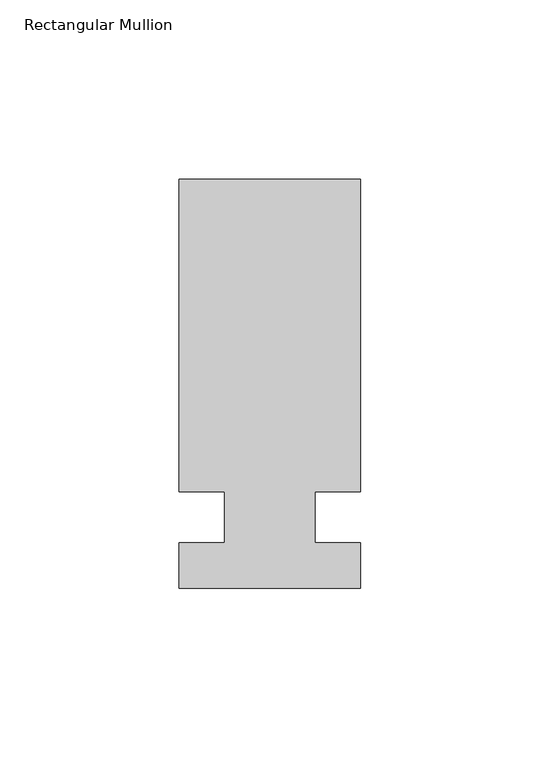
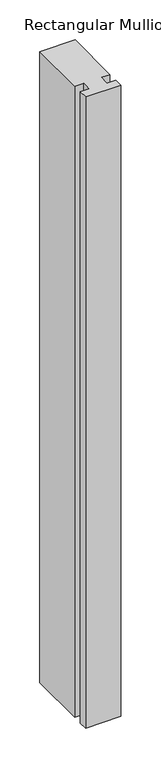
"""IFC4 building model written with IfcOpenShell, lengths in millimetres: member geometry, Rectangular Mullion."""

import ifcopenshell
import ifcopenshell.guid

model = None  # the IFC model being written
_history = None  # IfcOwnerHistory: only IFC2X3 demands one
_inside = {}  # id of a spatial element -> (the spatial element, [elements in it])
_under = {}  # id of a project, library or spatial element -> (it, [spatial elements below it])
_declared = {}  # id of a project -> (the project, [libraries it declares])
_typed = {}  # id of a type object -> (the type object, [elements of that type])
_made_of = {}  # id of a material, layer set ... -> (it, [elements and type objects made of it])


def new_model(schema):
    """Start an empty IFC model of exactly this schema.

    Asked for "IFC4X3", IfcOpenShell would pick the latest addendum, in which some entities
    have other attributes; the version numbers below select the first issue.
    IFC2X3 requires an IfcOwnerHistory on every rooted entity: one is made here for all.
    """
    global model, _history
    if schema == "IFC4X3":
        model = ifcopenshell.file(schema_version=(4, 3, 0, 0))
    else:
        model = ifcopenshell.file(schema=schema)
    _inside.clear()
    _under.clear()
    _declared.clear()
    _typed.clear()
    _made_of.clear()
    _history = None
    if model.schema == "IFC2X3":
        org = make("IfcOrganization", Name="unknown")
        user = make(
            "IfcPersonAndOrganization",
            ThePerson=make("IfcPerson", FamilyName="unknown"),
            TheOrganization=org,
        )
        app = make(
            "IfcApplication",
            ApplicationDeveloper=org,
            Version="unknown",
            ApplicationFullName="unknown",
            ApplicationIdentifier="unknown",
        )
        _history = make(
            "IfcOwnerHistory",
            OwningUser=user,
            OwningApplication=app,
            ChangeAction="ADDED",
            CreationDate=0,
        )
    return model


def make(cls, **values):
    """One entity of the class cls with the attributes given. An attribute that is None is left unset."""
    return model.create_entity(
        cls, **{name: value for name, value in values.items() if value is not None}
    )


def rooted(cls, **values):
    """An entity with a GlobalId (a new one), such as an element, a storey or a relation."""
    return make(cls, GlobalId=ifcopenshell.guid.new(), OwnerHistory=_history, **values)


def si_unit(unit_type, name, prefix=None):
    """IfcSIUnit, for example si_unit("LENGTHUNIT", "METRE", prefix="MILLI")."""
    return make("IfcSIUnit", UnitType=unit_type, Prefix=prefix, Name=name)


def assignment(units):
    """IfcUnitAssignment: the units of a project."""
    return None if units is None else make("IfcUnitAssignment", Units=units)


def point(xyz):
    """IfcCartesianPoint."""
    return None if xyz is None else make("IfcCartesianPoint", Coordinates=xyz)


def direction(xyz):
    """IfcDirection."""
    return None if xyz is None else make("IfcDirection", DirectionRatios=xyz)


def frame(location, z_axis=None, x_axis=None):
    """IfcAxis2Placement3D, a coordinate frame: its origin and axes. An axis left out is left unset."""
    return make(
        "IfcAxis2Placement3D",
        Location=point(location),
        Axis=direction(z_axis),
        RefDirection=direction(x_axis),
    )


def origin():
    """The frame at (0, 0, 0) with its axes left unset."""
    return frame((0.0, 0.0, 0.0))


def place(relative_to, where):
    """IfcLocalPlacement: puts the frame where relative to a parent placement (None: the world)."""
    return make(
        "IfcLocalPlacement", PlacementRelTo=relative_to, RelativePlacement=where
    )


def context(
    kind, dimensions, precision=None, world=None, true_north=None, identifier=None
):
    """IfcGeometricRepresentationContext, for example the 3D "Model" context."""
    return make(
        "IfcGeometricRepresentationContext",
        ContextIdentifier=identifier,
        ContextType=kind,
        CoordinateSpaceDimension=dimensions,
        Precision=precision,
        WorldCoordinateSystem=world,
        TrueNorth=true_north,
    )


def project(units=None, contexts=None):
    """IfcProject with its units and contexts."""
    return rooted(
        "IfcProject",
        Name="project",
        RepresentationContexts=contexts,
        UnitsInContext=assignment(units),
    )


def spatial(cls, under=None, at=None, **own):
    """A site, building, storey or space (cls), placed at a placement, below another one or the project."""
    s = rooted(cls, ObjectPlacement=at, **own)
    if under is not None:
        _under.setdefault(under.id(), (under, []))[1].append(s)
    return s


def polyline(points):
    """IfcPolyline through the points."""
    return make("IfcPolyline", Points=[point(p) for p in points])


def outline(outer, holes=None, kind="AREA"):
    """IfcArbitraryClosedProfileDef: a profile drawn as a closed curve; with holes, ...WithVoids."""
    if holes is None:
        return make("IfcArbitraryClosedProfileDef", ProfileType=kind, OuterCurve=outer)
    return make(
        "IfcArbitraryProfileDefWithVoids",
        ProfileType=kind,
        OuterCurve=outer,
        InnerCurves=holes,
    )


def extrude(swept, where, along, depth):
    """IfcExtrudedAreaSolid: the profile swept, set in the frame where, extruded along a direction by depth."""
    return make(
        "IfcExtrudedAreaSolid",
        SweptArea=swept,
        Position=where,
        ExtrudedDirection=direction(along),
        Depth=depth,
    )


def shape(context_of_items, identifier, shape_type, items):
    """IfcShapeRepresentation: the items that make up one representation, for example the "Body"."""
    return make(
        "IfcShapeRepresentation",
        ContextOfItems=context_of_items,
        RepresentationIdentifier=identifier,
        RepresentationType=shape_type,
        Items=items,
    )


def source(mapping_origin, context_of_items, identifier, shape_type, items):
    """IfcRepresentationMap: a shape defined once, which mapped items show again and again."""
    return make(
        "IfcRepresentationMap",
        MappingOrigin=mapping_origin,
        MappedRepresentation=shape(context_of_items, identifier, shape_type, items),
    )


def transform(
    local_origin,
    x_axis=None,
    y_axis=None,
    z_axis=None,
    scale=None,
    scale2=None,
    scale3=None,
    uniform=True,
):
    """IfcCartesianTransformationOperator3D, or its non-uniform kind. x_axis, y_axis, z_axis: its Axis1, 2, 3."""
    if uniform:
        return make(
            "IfcCartesianTransformationOperator3D",
            Axis1=direction(x_axis),
            Axis2=direction(y_axis),
            LocalOrigin=point(local_origin),
            Scale=scale,
            Axis3=direction(z_axis),
        )
    return make(
        "IfcCartesianTransformationOperator3DnonUniform",
        Axis1=direction(x_axis),
        Axis2=direction(y_axis),
        LocalOrigin=point(local_origin),
        Scale=scale,
        Axis3=direction(z_axis),
        Scale2=scale2,
        Scale3=scale3,
    )


def mapped(mapping_source, mapping_target):
    """IfcMappedItem: shows the shape of a source again, moved by a transform."""
    return make(
        "IfcMappedItem", MappingSource=mapping_source, MappingTarget=mapping_target
    )


def made_of(thing, what):
    """Note that an element or type object is made of a material, layer set ...; save() writes the relation."""
    if what is not None:
        _made_of.setdefault(what.id(), (what, []))[1].append(thing)
    return thing


def element(
    cls,
    number,
    at=None,
    inside=None,
    cuts=None,
    type_object=None,
    material=None,
    context=None,
    identifier="Body",
    shape_type=None,
    held_by="IfcProductDefinitionShape",
    body=None,
    shapes=None,
    **own,
):
    """One element of the class cls, such as IfcWall. Its Tag is "e" and its number.

    at: its placement. inside: the storey or other place that contains it. cuts: it is an
    opening in that element (IfcRelVoidsElement). A single representation is given by context,
    identifier, shape_type and body (its items); several are given by shapes. held_by: the class
    of the entity that holds the representations. save() writes the other relations.
    """
    e = rooted(cls, Tag="e%d" % number, ObjectPlacement=at, **own)
    if body is not None:
        shapes = [shape(context, identifier, shape_type, body)]
    if shapes is not None:
        e.Representation = make(held_by, Representations=shapes)
    if inside is not None:
        _inside.setdefault(inside.id(), (inside, []))[1].append(e)
    if cuts is not None:
        rooted(
            "IfcRelVoidsElement", RelatingBuildingElement=cuts, RelatedOpeningElement=e
        )
    if type_object is not None:
        _typed.setdefault(type_object.id(), (type_object, []))[1].append(e)
    return made_of(e, material)


def aggregate(whole, parts):
    """IfcRelAggregates: a whole, such as a stair, and the parts it consists of."""
    return rooted("IfcRelAggregates", RelatingObject=whole, RelatedObjects=parts)


def save(model, path):
    """Write the relations noted so far, then the file.

    IfcRelAggregates (storeys below a building ...), IfcRelContainedInSpatialStructure (elements
    in a storey), IfcRelDefinesByType, IfcRelAssociatesMaterial and IfcRelDeclares: one each for
    every whole, place, type object, material and project.
    """
    for whole, parts in _under.values():
        aggregate(whole, parts)
    for where, things in _inside.values():
        rooted(
            "IfcRelContainedInSpatialStructure",
            RelatedElements=things,
            RelatingStructure=where,
        )
    for kind, things in _typed.values():
        rooted("IfcRelDefinesByType", RelatedObjects=things, RelatingType=kind)
    for what, things in _made_of.values():
        rooted("IfcRelAssociatesMaterial", RelatedObjects=things, RelatingMaterial=what)
    for by, libraries in _declared.values():
        rooted("IfcRelDeclares", RelatingContext=by, RelatedDefinitions=libraries)
    model.write(path)


def rectangular_mullion_ea934393(model_context):
    return source(origin(), model_context, "Body", "SweptSolid", [
        extrude(outline(polyline([(29.7344027, 94.45625), (29.7344027, 7.14375), (17.0326322, 7.14375), (17.0326322, -7.14375), (29.7344027, -7.14375), (29.7344027, -19.84375), (-21.0655973, -19.84375), (-21.0655973, -7.14375), (-8.3655973, -7.14375), (-8.3655973, 7.14375), (-21.0655973, 7.14375), (-21.0655973, 94.45625), (29.7344027, 94.45625)])), frame((0.0, 0.0, -965.2), z_axis=(0.0, 0.0, 1.0), x_axis=(1.0, 0.0, 0.0)), (0.0, 0.0, 1.0), 965.2),
    ])


if __name__ == "__main__":
    model = new_model("IFC4")
    model_context = context("Model", 3, world=origin())
    ifc_project = project(units=[si_unit("LENGTHUNIT", "METRE", prefix="MILLI")], contexts=[model_context])
    site = spatial("IfcSite", under=ifc_project)
    building = spatial("IfcBuilding", under=site)
    placement = place(None, origin())
    rectangular_mullion_shape = rectangular_mullion_ea934393(model_context)
    element("IfcMember", 1, ObjectType="Rectangular Mullion", at=placement, inside=building, context=model_context, shape_type="MappedRepresentation", body=[
        mapped(rectangular_mullion_shape, transform((0.0, 0.0, 0.0), x_axis=(1.0, 0.0, 0.0), y_axis=(0.0, 1.0, 0.0), z_axis=(0.0, 0.0, 1.0))),
    ])
    save(model, "model.ifc")
